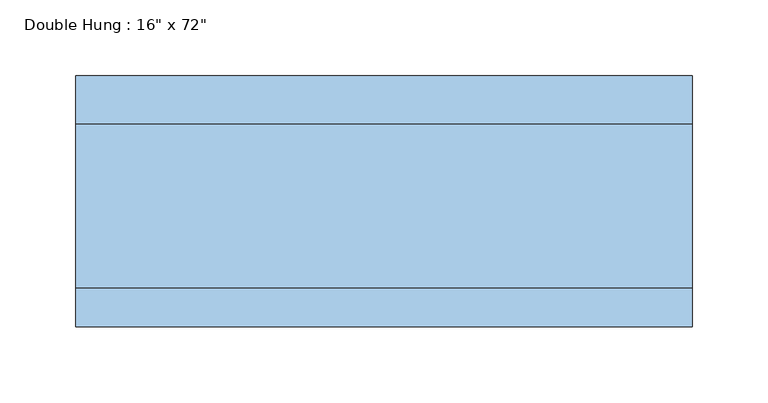
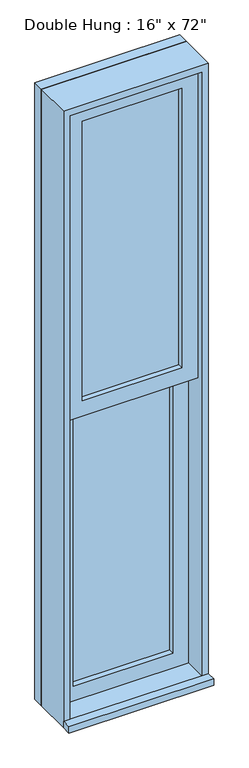
"""IFC4 building model written with IfcOpenShell, lengths in millimetres: window geometry."""

from ifc_helpers import new_model, si_unit, frame, origin, place, context, project, spatial, polyline, outline, extrude, source, transform, mapped, element, save


def window_3c280b66(model_context):
    return source(origin(), model_context, "Body", "SweptSolid", [
        extrude(outline(polyline([(-139.7, 9.525), (-139.7, 22.225), (139.7, 22.225), (139.7, 9.525), (-139.7, 9.525)])), frame((0.0, 0.0, 368.3), z_axis=(0.0, 0.0, 1.0), x_axis=(1.0, 0.0, 0.0)), (0.0, 0.0, 1.0), 828.675),
        extrude(outline(polyline([(1241.425, -184.15), (323.85, -184.15), (323.85, 184.15), (1241.425, 184.15), (1241.425, -184.15)]), holes=[polyline([(1196.975, -139.7), (1196.975, 139.7), (368.3, 139.7), (368.3, -139.7), (1196.975, -139.7)])]), frame((0.0, -6.35, 0.0), z_axis=(0.0, 1.0, 0.0), x_axis=(0.0, 0.0, 1.0)), (0.0, 0.0, 1.0), 44.45),
        extrude(outline(polyline([(-203.2, -95.25), (-203.2, -69.85), (203.2, -69.85), (203.2, -95.25), (-203.2, -95.25)])), frame((0.0, 0.0, 304.8), z_axis=(0.0, 0.0, 1.0), x_axis=(1.0, 0.0, 0.0)), (0.0, 0.0, 1.0), 19.05),
        extrude(outline(polyline([(139.7, -22.225), (139.7, -34.925), (-139.7, -34.925), (-139.7, -22.225), (139.7, -22.225)])), frame((0.0, 0.0, 1241.425), z_axis=(0.0, 0.0, 1.0), x_axis=(1.0, 0.0, 0.0)), (0.0, 0.0, 1.0), 828.675),
        extrude(outline(polyline([(2114.55, -184.15), (1196.975, -184.15), (1196.975, 184.15), (2114.55, 184.15), (2114.55, -184.15)]), holes=[polyline([(2070.1, -139.7), (2070.1, 139.7), (1241.425, 139.7), (1241.425, -139.7), (2070.1, -139.7)])]), frame((0.0, -50.8, 0.0), z_axis=(0.0, 1.0, 0.0), x_axis=(0.0, 0.0, 1.0)), (0.0, 0.0, 1.0), 44.45),
        extrude(outline(polyline([(2133.6, -203.2), (304.8, -203.2), (304.8, 203.2), (2133.6, 203.2), (2133.6, -203.2)]), holes=[polyline([(2101.85, -171.45), (2101.85, 171.45), (336.55, 171.45), (336.55, -171.45), (2101.85, -171.45)])]), frame((0.0, 38.1, 0.0), z_axis=(0.0, 1.0, 0.0), x_axis=(0.0, 0.0, 1.0)), (0.0, 0.0, 1.0), 31.75),
        extrude(outline(polyline([(2133.6, 203.2), (2133.6, -203.2), (304.8, -203.2), (304.8, 203.2), (2133.6, 203.2)]), holes=[polyline([(2114.55, 184.15), (323.85, 184.15), (323.85, -184.15), (2114.55, -184.15), (2114.55, 184.15)])]), frame((0.0, -69.85, 0.0), z_axis=(0.0, 1.0, 0.0), x_axis=(0.0, 0.0, 1.0)), (0.0, 0.0, 1.0), 107.95),
    ])


if __name__ == "__main__":
    model = new_model("IFC4")
    model_context = context("Model", 3, world=origin())
    ifc_project = project(units=[si_unit("LENGTHUNIT", "METRE", prefix="MILLI")], contexts=[model_context])
    site = spatial("IfcSite", under=ifc_project)
    building = spatial("IfcBuilding", under=site)
    placement = place(None, origin())
    window_shape = window_3c280b66(model_context)
    element("IfcWindow", 1, ObjectType="Double Hung : 16\" x 72\"", at=placement, inside=building, context=model_context, shape_type="MappedRepresentation", body=[
        mapped(window_shape, transform((0.0, 0.0, 0.0), x_axis=(1.0, 0.0, 0.0), y_axis=(0.0, 1.0, 0.0), z_axis=(0.0, 0.0, 1.0))),
    ])
    save(model, "model.ifc")
